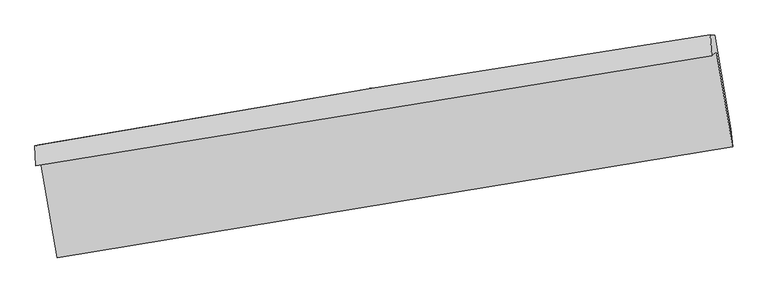
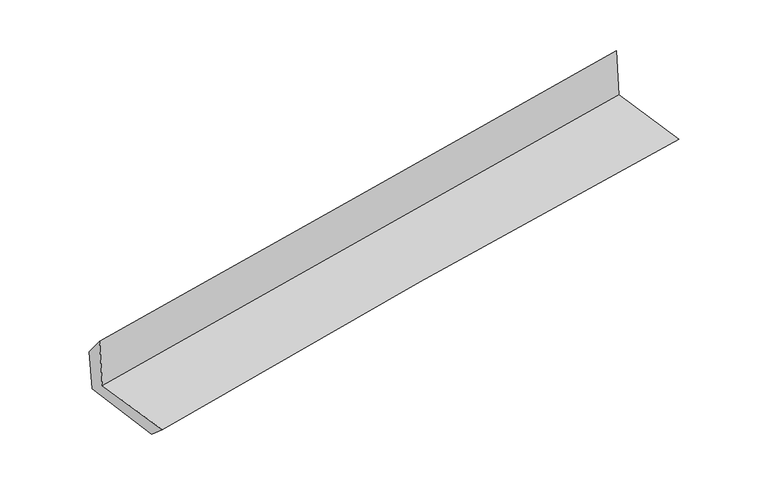
"""IFC4 building model written with IfcOpenShell, lengths in millimetres: proxy geometry."""

from ifc_helpers import new_model, si_unit, frame, origin, place, context, project, spatial, source, transform, mapped, element, save
from ifc_brep_helpers import plane_surface, spline_curve, spline_surface, advanced_brep


def generic_models_c5cb54ce(model_context):
    return source(origin(), model_context, "Body", "AdvancedBrep", [
        advanced_brep(
        [(-2382.7151027, -1874.4506868, 1682.7155138), (-2268.7236843, -2535.7092488, 1658.3255879), (2439.4838944, -1764.086838, 2076.3173476), (2327.0749343, -1103.0863745, 2102.9264094), (-2417.6860961, -1895.6154149, 2093.0884093), (2292.8249573, -1128.8182051, 2513.7088812), (-2424.8613998, -1757.6101707, 1921.2928772), (2283.0630839, -984.0868133, 2361.1982831), (-2394.7563248, -1748.6861582, 1584.7373174), (2314.763797, -987.5628504, 2029.3768769), (-2280.3398175, -2404.7282194, 1546.4405332), (2426.2974138, -1636.2943841, 1990.3493458)],
        [
            (0, 1),
            (1, 2, spline_curve(3, [(-2268.7236843, -2535.7092488, 1658.3255879), (-1485.526188548, -2407.235236837, 1744.407468961), (-701.579659018, -2278.696830085, 1822.280863216), (867.822845611, -2021.489361521, 1961.611687846), (1653.278842063, -1892.820298302, 2023.068880159), (2439.4838944, -1764.086838, 2076.3173476)], [4, 2, 4], [0.0, 7.858001302193031, 15.71611653646178])),
            (2, 3),
            (3, 0, spline_curve(3, [(2327.0749343, -1103.0863745, 2102.9264094), (1542.445665358, -1236.903850169, 2038.866825601), (757.645681072, -1368.09339461, 1971.819183342), (-812.284336056, -1625.21475562, 1831.748798081), (-1597.414364441, -1751.146649034, 1758.726141654), (-2382.7151027, -1874.4506868, 1682.7155138)], [4, 2, 4], [0.0, 7.858115234268748, 15.71611653646178])),
            (4, 0),
            (3, 5),
            (5, 4, spline_curve(3, [(2292.8249573, -1128.8182051, 2513.7088812), (1507.848512545, -1257.530643289, 2444.264342958), (722.814856246, -1385.787089973, 2374.490111664), (-847.355496687, -1641.386146493, 2234.283277948), (-1632.492191414, -1768.728769986, 2163.850685521), (-2417.6860961, -1895.6154149, 2093.0884093)], [4, 2, 4], [0.0, 7.8593585577848755, 15.71860316546752])),
            (6, 4),
            (5, 7),
            (7, 6, spline_curve(3, [(2283.0630839, -984.0868133, 2361.1982831), (1496.674069853, -1103.196351887, 2288.997147761), (711.149684388, -1227.211903707, 2216.237526676), (-858.15845168, -1485.053164905, 2069.602374937), (-1641.942227557, -1618.878732344, 1995.726860901), (-2424.8613998, -1757.6101707, 1921.2928772)], [4, 2, 4], [0.0, 7.859574230807615, 15.71903450838603])),
            (8, 6),
            (7, 9),
            (9, 8, spline_curve(3, [(2314.763797, -987.5628504, 2029.3768769), (1530.666880575, -1114.803364386, 1947.399527112), (746.155564129, -1241.851021897, 1869.357315488), (-823.684488364, -1495.558785679, 1721.144243365), (-1609.013212538, -1622.218897309, 1650.973268334), (-2394.7563248, -1748.6861582, 1584.7373174)], [4, 2, 4], [0.0, 7.85984543717219, 15.719576917183055])),
            (10, 8),
            (9, 11),
            (11, 10, spline_curve(3, [(2426.2974138, -1636.2943841, 1990.3493458), (1641.283380039, -1761.916680442, 1918.283172253), (856.553752741, -1888.764454657, 1845.257409323), (-712.325316343, -2144.909102054, 1697.287777165), (-1496.474765811, -2274.205939505, 1622.343935957), (-2280.3398175, -2404.7282194, 1546.4405332)], [4, 2, 4], [0.0, 7.858400677149448, 15.716687418084643])),
            (1, 10),
            (11, 2),
        ],
        [
            spline_surface(3, 3, [[(-2382.7151027, -1874.4506868, 1682.7155138), (-1597.41436436, -1751.14664894, 1758.726141762), (-812.284336146, -1625.214755737, 1831.748798126), (757.645681163, -1368.093394493, 1971.819183297), (1542.445665231, -1236.90385029, 2038.866825482), (2327.0749343, -1103.0863745, 2102.9264094)], [(-2344.71796323, -2094.870207467, 1674.585538519), (-1560.11830577, -1969.842844928, 1753.953250859), (-775.382777075, -1843.042113841, 1828.59281981), (794.371402645, -1585.892050212, 1968.416684786), (1579.390057532, -1455.542666285, 2033.60084373), (2364.544587671, -1323.419862347, 2094.056722154)], [(-2306.72082377, -2315.289728133, 1666.455563181), (-1522.822247189, -2188.539040915, 1749.180359898), (-738.481218045, -2060.869471899, 1825.436841553), (831.097124085, -1803.690705884, 1965.014186336), (1616.33444982, -1674.181482241, 2028.334861915), (2402.014241029, -1543.753350153, 2085.187034846)], [(-2268.7236843, -2535.7092488, 1658.3255879), (-1485.526188599, -2407.235236903, 1744.407468994), (-701.579658974, -2278.696830003, 1822.280863236), (867.822845566, -2021.489361603, 1961.611687826), (1653.27884212, -1892.820298237, 2023.068880163), (2439.4838944, -1764.086838, 2076.3173476)]], [4, 4], [4, 2, 4], [0.0, 2.174473089276699], [0.0, 7.858001302193031, 15.71611653646178]),
            spline_surface(3, 3, [[(-2417.6860961, -1895.6154149, 2093.0884093), (-1632.492191495, -1768.728770018, 2163.850685577), (-847.355496617, -1641.386146588, 2234.283278043), (722.814856176, -1385.787089878, 2374.490111569), (1507.848512431, -1257.530643373, 2444.264343071), (2292.8249573, -1128.8182051, 2513.7088812)], [(-2406.02909833, -1888.560505557, 1956.29744412), (-1620.79958248, -1762.868063016, 2028.809170958), (-835.665109791, -1635.995682965, 2100.105118092), (734.425131174, -1379.88919141, 2240.266468833), (1519.380896694, -1250.655045689, 2309.131837187), (2304.241616296, -1120.240928243, 2376.781390579)], [(-2394.37210047, -1881.505596143, 1819.50647898), (-1609.106973375, -1757.007355942, 1893.767656381), (-823.974722972, -1630.60521936, 1965.926958078), (746.035406165, -1373.99129296, 2106.042826033), (1530.913280968, -1243.779447974, 2173.999331366), (2315.658275304, -1111.663651357, 2239.853900021)], [(-2382.7151027, -1874.4506868, 1682.7155138), (-1597.41436436, -1751.14664894, 1758.726141762), (-812.284336146, -1625.214755737, 1831.748798126), (757.645681163, -1368.093394493, 1971.819183297), (1542.445665231, -1236.90385029, 2038.866825482), (2327.0749343, -1103.0863745, 2102.9264094)]], [4, 4], [4, 2, 4], [0.0, 1.3270063428585117], [0.0, 7.859244607682645, 15.71860316546752]),
            spline_surface(3, 3, [[(-2424.8613998, -1757.6101707, 1921.2928772), (-1641.942227648, -1618.878732288, 1995.726860988), (-858.158451726, -1485.053165007, 2069.602375065), (711.149684435, -1227.211903604, 2216.237526549), (1496.674069748, -1103.19635177, 2288.997147793), (2283.0630839, -984.0868133, 2361.1982831)], [(-2422.469631874, -1803.611918758, 1978.558054562), (-1638.792215571, -1668.828744856, 2051.768135846), (-854.557466709, -1537.164158867, 2124.49600939), (715.038074996, -1280.070299028, 2268.988388222), (1500.398884003, -1154.64111564, 2340.752879556), (2286.317041727, -1032.330610569, 2412.035149137)], [(-2420.077864026, -1849.613666842, 2035.823231938), (-1635.642203572, -1718.778757449, 2107.809410719), (-850.956481634, -1589.275152728, 2179.389643717), (718.926465614, -1332.928694453, 2321.739249896), (1504.123698177, -1206.085879504, 2392.508611308), (2289.570999473, -1080.574407831, 2462.872015163)], [(-2417.6860961, -1895.6154149, 2093.0884093), (-1632.492191495, -1768.728770018, 2163.850685577), (-847.355496617, -1641.386146588, 2234.283278043), (722.814856176, -1385.787089878, 2374.490111569), (1507.848512431, -1257.530643373, 2444.264343071), (2292.8249573, -1128.8182051, 2513.7088812)]], [4, 4], [4, 2, 4], [0.0, 0.7408416348131125], [0.0, 7.859460277578416, 15.71903450838603]),
            spline_surface(3, 3, [[(-2394.7563248, -1748.6861582, 1584.7373174), (-1609.013212609, -1622.218897185, 1650.973268273), (-823.684488423, -1495.558785631, 1721.14424324), (746.155564188, -1241.851021945, 1869.357315612), (1530.666880613, -1114.803364256, 1947.399527186), (2314.763797, -987.5628504, 2029.3768769)], [(-2404.791349804, -1751.660829014, 1696.922504001), (-1619.98955096, -1621.105508867, 1765.891132512), (-835.175809496, -1492.056912101, 1837.296953845), (734.486937631, -1236.971315842, 1984.984052588), (1519.335943658, -1110.934360077, 2061.265400733), (2304.196892634, -986.40417135, 2139.984012311)], [(-2414.826374796, -1754.635499886, 1809.107690599), (-1630.965889297, -1619.992120606, 1880.808996749), (-846.667130653, -1488.555038538, 1953.44966446), (722.818310991, -1232.091609707, 2100.610789574), (1508.005006703, -1107.065355949, 2175.131274246), (2293.629988266, -985.24549235, 2250.591147689)], [(-2424.8613998, -1757.6101707, 1921.2928772), (-1641.942227648, -1618.878732288, 1995.726860988), (-858.158451726, -1485.053165007, 2069.602375065), (711.149684435, -1227.211903604, 2216.237526549), (1496.674069748, -1103.19635177, 2288.997147793), (2283.0630839, -984.0868133, 2361.1982831)]], [4, 4], [4, 2, 4], [0.0, 1.1470689585187226], [0.0, 7.859731480010865, 15.719576917183055]),
            spline_surface(3, 3, [[(-2280.3398175, -2404.7282194, 1546.4405332), (-1496.474765871, -2274.205939544, 1622.343936007), (-712.325316227, -2144.909102004, 1697.287777225), (856.553752625, -1888.764454707, 1845.257409263), (1641.283380083, -1761.91668047, 1918.283172219), (2426.2974138, -1636.2943841, 1990.3493458)], [(-2318.478653265, -2186.04753235, 1559.206127955), (-1533.987581449, -2056.876925441, 1631.887046784), (-749.445040311, -1928.458996536, 1705.23993256), (819.75435646, -1673.126643776, 1853.290711376), (1604.41121359, -1546.212241731, 1927.988623863), (2389.119541531, -1420.050539532, 2003.358522821)], [(-2356.617489035, -1967.36684525, 1571.971722645), (-1571.500397032, -1839.547911288, 1641.430157496), (-786.564764339, -1712.008891099, 1713.192087905), (782.954960352, -1457.488832876, 1861.324013499), (1567.539047106, -1330.507802995, 1937.694075542), (2351.941669269, -1203.806694968, 2016.367699879)], [(-2394.7563248, -1748.6861582, 1584.7373174), (-1609.013212609, -1622.218897185, 1650.973268273), (-823.684488423, -1495.558785631, 1721.14424324), (746.155564188, -1241.851021945, 1869.357315612), (1530.666880613, -1114.803364256, 1947.399527186), (2314.763797, -987.5628504, 2029.3768769)]], [4, 4], [4, 2, 4], [0.0, 2.1587426341927793], [0.0, 7.858286740935195, 15.716687418084643]),
            spline_surface(3, 3, [[(-2268.7236843, -2535.7092488, 1658.3255879), (-1485.526188599, -2407.235236903, 1744.407468994), (-701.579658974, -2278.696830003, 1822.280863236), (867.822845566, -2021.489361603, 1961.611687826), (1653.27884212, -1892.820298237, 2023.068880163), (2439.4838944, -1764.086838, 2076.3173476)], [(-2272.595728696, -2492.048905653, 1621.030569644), (-1489.175714353, -2362.892137769, 1703.719624642), (-705.16154473, -2234.10092066, 1780.616501238), (864.066481247, -1977.247725961, 1922.826928311), (1649.28035475, -1849.185758974, 1988.140310845), (2435.088400842, -1721.489353359, 2047.661346997)], [(-2276.467773104, -2448.388562547, 1583.735551456), (-1492.825240118, -2318.549038677, 1663.031780359), (-708.74343047, -2189.505011347, 1738.952139222), (860.310116944, -1933.006090349, 1884.042168778), (1645.281867453, -1805.551219733, 1953.211741537), (2430.692907358, -1678.891868741, 2019.005346403)], [(-2280.3398175, -2404.7282194, 1546.4405332), (-1496.474765871, -2274.205939544, 1622.343936007), (-712.325316227, -2144.909102004, 1697.287777225), (856.553752625, -1888.764454707, 1845.257409263), (1641.283380083, -1761.91668047, 1918.283172219), (2426.2974138, -1636.2943841, 1990.3493458)]], [4, 4], [4, 2, 4], [0.0, 0.5909204241010978], [0.0, 7.856726109330331, 15.713566132247532]),
            plane_surface(frame((2347.2513468, -1267.3225776, 2178.979524), z_axis=(0.9822598406375845, 0.16333320479243196, 0.09212963520421105), x_axis=(-0.09509728122889557, 0.010427578755453939, 0.9954133677544075))),
            plane_surface(frame((-2361.5137376, -2036.1333165, 1747.7667065), z_axis=(-0.9818290122071786, -0.16585157558231428, -0.09222280447449076), x_axis=(-0.16976777422682404, 0.9848144345028451, 0.036323992469322795))),
        ],
        [
            (0, [[1, 2, 3, 4]]),
            (1, [[5, -4, 6, 7]]),
            (2, [[8, -7, 9, 10]]),
            (3, [[11, -10, 12, 13]]),
            (4, [[14, -13, 15, 16]]),
            (5, [[17, -16, 18, -2]]),
            (6, [[-12, -9, -6, -3, -18, -15]]),
            (7, [[-1, -5, -8, -11, -14, -17]]),
        ],
    ),
    ])


if __name__ == "__main__":
    model = new_model("IFC4")
    model_context = context("Model", 3, world=origin())
    ifc_project = project(units=[si_unit("LENGTHUNIT", "METRE", prefix="MILLI")], contexts=[model_context])
    site = spatial("IfcSite", under=ifc_project)
    building = spatial("IfcBuilding", under=site)
    placement = place(None, origin())
    generic_models_shape = generic_models_c5cb54ce(model_context)
    element("IfcBuildingElementProxy", 1, Name="Generic Models", at=placement, inside=building, context=model_context, shape_type="MappedRepresentation", body=[
        mapped(generic_models_shape, transform((0.0, 0.0, 0.0), x_axis=(1.0, 0.0, 0.0), y_axis=(0.0, 1.0, 0.0), z_axis=(0.0, 0.0, 1.0))),
    ])
    save(model, "model.ifc")
